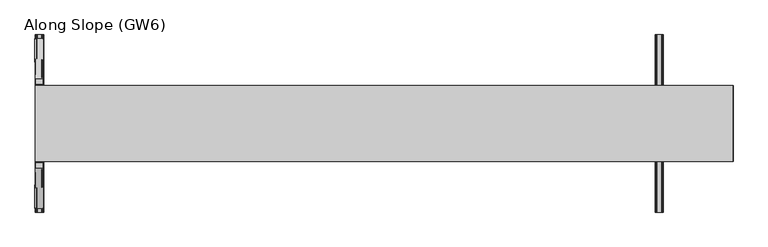
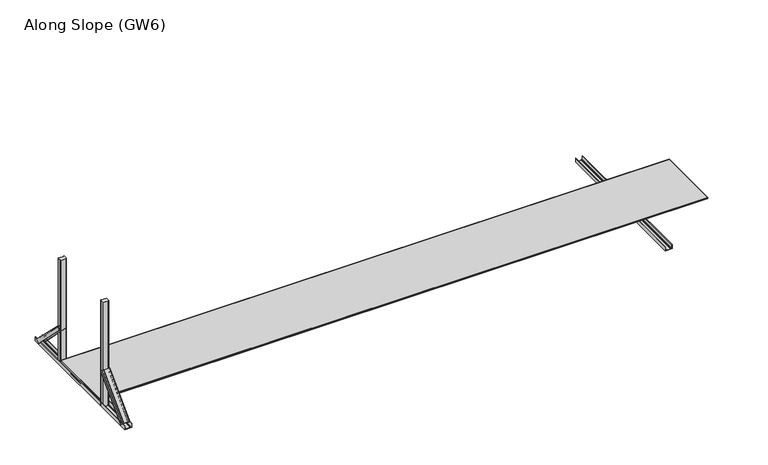
"""IFC4 building model written with IfcOpenShell, lengths in millimetres: proxy geometry, Along Slope (GW6)."""

import ifcopenshell
import ifcopenshell.guid

model = None  # the IFC model being written
_history = None  # IfcOwnerHistory: only IFC2X3 demands one
_inside = {}  # id of a spatial element -> (the spatial element, [elements in it])
_under = {}  # id of a project, library or spatial element -> (it, [spatial elements below it])
_declared = {}  # id of a project -> (the project, [libraries it declares])
_typed = {}  # id of a type object -> (the type object, [elements of that type])
_made_of = {}  # id of a material, layer set ... -> (it, [elements and type objects made of it])


def new_model(schema):
    """Start an empty IFC model of exactly this schema.

    Asked for "IFC4X3", IfcOpenShell would pick the latest addendum, in which some entities
    have other attributes; the version numbers below select the first issue.
    IFC2X3 requires an IfcOwnerHistory on every rooted entity: one is made here for all.
    """
    global model, _history
    if schema == "IFC4X3":
        model = ifcopenshell.file(schema_version=(4, 3, 0, 0))
    else:
        model = ifcopenshell.file(schema=schema)
    _inside.clear()
    _under.clear()
    _declared.clear()
    _typed.clear()
    _made_of.clear()
    _history = None
    if model.schema == "IFC2X3":
        org = make("IfcOrganization", Name="unknown")
        user = make(
            "IfcPersonAndOrganization",
            ThePerson=make("IfcPerson", FamilyName="unknown"),
            TheOrganization=org,
        )
        app = make(
            "IfcApplication",
            ApplicationDeveloper=org,
            Version="unknown",
            ApplicationFullName="unknown",
            ApplicationIdentifier="unknown",
        )
        _history = make(
            "IfcOwnerHistory",
            OwningUser=user,
            OwningApplication=app,
            ChangeAction="ADDED",
            CreationDate=0,
        )
    return model


def make(cls, **values):
    """One entity of the class cls with the attributes given. An attribute that is None is left unset."""
    return model.create_entity(
        cls, **{name: value for name, value in values.items() if value is not None}
    )


def rooted(cls, **values):
    """An entity with a GlobalId (a new one), such as an element, a storey or a relation."""
    return make(cls, GlobalId=ifcopenshell.guid.new(), OwnerHistory=_history, **values)


def si_unit(unit_type, name, prefix=None):
    """IfcSIUnit, for example si_unit("LENGTHUNIT", "METRE", prefix="MILLI")."""
    return make("IfcSIUnit", UnitType=unit_type, Prefix=prefix, Name=name)


def assignment(units):
    """IfcUnitAssignment: the units of a project."""
    return None if units is None else make("IfcUnitAssignment", Units=units)


def point(xyz):
    """IfcCartesianPoint."""
    return None if xyz is None else make("IfcCartesianPoint", Coordinates=xyz)


def direction(xyz):
    """IfcDirection."""
    return None if xyz is None else make("IfcDirection", DirectionRatios=xyz)


def frame(location, z_axis=None, x_axis=None):
    """IfcAxis2Placement3D, a coordinate frame: its origin and axes. An axis left out is left unset."""
    return make(
        "IfcAxis2Placement3D",
        Location=point(location),
        Axis=direction(z_axis),
        RefDirection=direction(x_axis),
    )


def frame_2d(location, x_axis=None):
    """IfcAxis2Placement2D, a coordinate frame in the plane: its origin and x axis."""
    return make(
        "IfcAxis2Placement2D", Location=point(location), RefDirection=direction(x_axis)
    )


def origin():
    """The frame at (0, 0, 0) with its axes left unset."""
    return frame((0.0, 0.0, 0.0))


def origin_with_axes():
    """The frame at (0, 0, 0) with the z axis (0, 0, 1) and the x axis (1, 0, 0) written out."""
    return frame((0.0, 0.0, 0.0), z_axis=(0.0, 0.0, 1.0), x_axis=(1.0, 0.0, 0.0))


def place(relative_to, where):
    """IfcLocalPlacement: puts the frame where relative to a parent placement (None: the world)."""
    return make(
        "IfcLocalPlacement", PlacementRelTo=relative_to, RelativePlacement=where
    )


def context(
    kind, dimensions, precision=None, world=None, true_north=None, identifier=None
):
    """IfcGeometricRepresentationContext, for example the 3D "Model" context."""
    return make(
        "IfcGeometricRepresentationContext",
        ContextIdentifier=identifier,
        ContextType=kind,
        CoordinateSpaceDimension=dimensions,
        Precision=precision,
        WorldCoordinateSystem=world,
        TrueNorth=true_north,
    )


def project(units=None, contexts=None):
    """IfcProject with its units and contexts."""
    return rooted(
        "IfcProject",
        Name="project",
        RepresentationContexts=contexts,
        UnitsInContext=assignment(units),
    )


def spatial(cls, under=None, at=None, **own):
    """A site, building, storey or space (cls), placed at a placement, below another one or the project."""
    s = rooted(cls, ObjectPlacement=at, **own)
    if under is not None:
        _under.setdefault(under.id(), (under, []))[1].append(s)
    return s


def polyline(points):
    """IfcPolyline through the points."""
    return make("IfcPolyline", Points=[point(p) for p in points])


def circle_curve(where, radius):
    """IfcCircle in the frame where."""
    return make("IfcCircle", Position=where, Radius=radius)


def trimmed(basis, trim1, trim2, sense, master):
    """IfcTrimmedCurve: the piece of a basis curve between two trims."""
    return make(
        "IfcTrimmedCurve",
        BasisCurve=basis,
        Trim1=trim1,
        Trim2=trim2,
        SenseAgreement=sense,
        MasterRepresentation=master,
    )


def segment(curve, same_sense, transition):
    """IfcCompositeCurveSegment."""
    return make(
        "IfcCompositeCurveSegment",
        Transition=transition,
        SameSense=same_sense,
        ParentCurve=curve,
    )


def composite_curve(segments, self_intersect=None):
    """IfcCompositeCurve: segments joined end to end."""
    return make("IfcCompositeCurve", Segments=segments, SelfIntersect=self_intersect)


def outline(outer, holes=None, kind="AREA"):
    """IfcArbitraryClosedProfileDef: a profile drawn as a closed curve; with holes, ...WithVoids."""
    if holes is None:
        return make("IfcArbitraryClosedProfileDef", ProfileType=kind, OuterCurve=outer)
    return make(
        "IfcArbitraryProfileDefWithVoids",
        ProfileType=kind,
        OuterCurve=outer,
        InnerCurves=holes,
    )


def extrude(swept, where, along, depth):
    """IfcExtrudedAreaSolid: the profile swept, set in the frame where, extruded along a direction by depth."""
    return make(
        "IfcExtrudedAreaSolid",
        SweptArea=swept,
        Position=where,
        ExtrudedDirection=direction(along),
        Depth=depth,
    )


def shape(context_of_items, identifier, shape_type, items):
    """IfcShapeRepresentation: the items that make up one representation, for example the "Body"."""
    return make(
        "IfcShapeRepresentation",
        ContextOfItems=context_of_items,
        RepresentationIdentifier=identifier,
        RepresentationType=shape_type,
        Items=items,
    )


def source(mapping_origin, context_of_items, identifier, shape_type, items):
    """IfcRepresentationMap: a shape defined once, which mapped items show again and again."""
    return make(
        "IfcRepresentationMap",
        MappingOrigin=mapping_origin,
        MappedRepresentation=shape(context_of_items, identifier, shape_type, items),
    )


def transform(
    local_origin,
    x_axis=None,
    y_axis=None,
    z_axis=None,
    scale=None,
    scale2=None,
    scale3=None,
    uniform=True,
):
    """IfcCartesianTransformationOperator3D, or its non-uniform kind. x_axis, y_axis, z_axis: its Axis1, 2, 3."""
    if uniform:
        return make(
            "IfcCartesianTransformationOperator3D",
            Axis1=direction(x_axis),
            Axis2=direction(y_axis),
            LocalOrigin=point(local_origin),
            Scale=scale,
            Axis3=direction(z_axis),
        )
    return make(
        "IfcCartesianTransformationOperator3DnonUniform",
        Axis1=direction(x_axis),
        Axis2=direction(y_axis),
        LocalOrigin=point(local_origin),
        Scale=scale,
        Axis3=direction(z_axis),
        Scale2=scale2,
        Scale3=scale3,
    )


def mapped(mapping_source, mapping_target):
    """IfcMappedItem: shows the shape of a source again, moved by a transform."""
    return make(
        "IfcMappedItem", MappingSource=mapping_source, MappingTarget=mapping_target
    )


def made_of(thing, what):
    """Note that an element or type object is made of a material, layer set ...; save() writes the relation."""
    if what is not None:
        _made_of.setdefault(what.id(), (what, []))[1].append(thing)
    return thing


def element(
    cls,
    number,
    at=None,
    inside=None,
    cuts=None,
    type_object=None,
    material=None,
    context=None,
    identifier="Body",
    shape_type=None,
    held_by="IfcProductDefinitionShape",
    body=None,
    shapes=None,
    **own,
):
    """One element of the class cls, such as IfcWall. Its Tag is "e" and its number.

    at: its placement. inside: the storey or other place that contains it. cuts: it is an
    opening in that element (IfcRelVoidsElement). A single representation is given by context,
    identifier, shape_type and body (its items); several are given by shapes. held_by: the class
    of the entity that holds the representations. save() writes the other relations.
    """
    e = rooted(cls, Tag="e%d" % number, ObjectPlacement=at, **own)
    if body is not None:
        shapes = [shape(context, identifier, shape_type, body)]
    if shapes is not None:
        e.Representation = make(held_by, Representations=shapes)
    if inside is not None:
        _inside.setdefault(inside.id(), (inside, []))[1].append(e)
    if cuts is not None:
        rooted(
            "IfcRelVoidsElement", RelatingBuildingElement=cuts, RelatedOpeningElement=e
        )
    if type_object is not None:
        _typed.setdefault(type_object.id(), (type_object, []))[1].append(e)
    return made_of(e, material)


def aggregate(whole, parts):
    """IfcRelAggregates: a whole, such as a stair, and the parts it consists of."""
    return rooted("IfcRelAggregates", RelatingObject=whole, RelatedObjects=parts)


def save(model, path):
    """Write the relations noted so far, then the file.

    IfcRelAggregates (storeys below a building ...), IfcRelContainedInSpatialStructure (elements
    in a storey), IfcRelDefinesByType, IfcRelAssociatesMaterial and IfcRelDeclares: one each for
    every whole, place, type object, material and project.
    """
    for whole, parts in _under.values():
        aggregate(whole, parts)
    for where, things in _inside.values():
        rooted(
            "IfcRelContainedInSpatialStructure",
            RelatedElements=things,
            RelatingStructure=where,
        )
    for kind, things in _typed.values():
        rooted("IfcRelDefinesByType", RelatedObjects=things, RelatingType=kind)
    for what, things in _made_of.values():
        rooted("IfcRelAssociatesMaterial", RelatedObjects=things, RelatingMaterial=what)
    for by, libraries in _declared.values():
        rooted("IfcRelDeclares", RelatingContext=by, RelatedDefinitions=libraries)
    model.write(path)


def plane_surface(at):
    """IfcPlane: the flat surface through the origin of the frame at, square to its z axis."""
    return make("IfcPlane", Position=at)


def extruded_surface(curve, direction_of_extrusion, depth):
    """IfcSurfaceOfLinearExtrusion: the curve pushed along a direction by depth."""
    return make(
        "IfcSurfaceOfLinearExtrusion",
        SweptCurve=make("IfcArbitraryOpenProfileDef", ProfileType="CURVE", Curve=curve),
        ExtrudedDirection=direction(direction_of_extrusion),
        Depth=depth,
    )


def advanced_brep(points, edges, surfaces, faces):
    """IfcAdvancedBrep: a solid bounded by faces that lie on surfaces and meet in shared edges.

    An edge is (start, end): straight between two places in points (the first is 0);
    or (start, end, curve); or (start, end, curve, False) where it runs against its curve.
    A face is (place in surfaces, loops), or (place, loops, False) where it looks against
    its surface's normal. A loop lists edges by number (the first is 1), with a minus sign
    where the edge is run from its end to its start. The first loop is the outer one.
    """
    corners = [point(p) for p in points]
    vertices = [make("IfcVertexPoint", VertexGeometry=c) for c in corners]
    made = []
    for start, end, *more in edges:
        made.append(
            make(
                "IfcEdgeCurve",
                EdgeStart=vertices[start],
                EdgeEnd=vertices[end],
                EdgeGeometry=more[0] if more else make("IfcPolyline", Points=[corners[start], corners[end]]),
                SameSense=more[1] if len(more) > 1 else True,
            )
        )
    hull = []
    for where, loops, *sense in faces:
        bounds = []
        for j, loop in enumerate(loops):
            ring = [make("IfcOrientedEdge", EdgeElement=made[abs(k) - 1], Orientation=k > 0) for k in loop]
            bounds.append(
                make(
                    "IfcFaceOuterBound" if j == 0 else "IfcFaceBound",
                    Bound=make("IfcEdgeLoop", EdgeList=ring),
                    Orientation=True,
                )
            )
        hull.append(make("IfcAdvancedFace", Bounds=bounds, FaceSurface=surfaces[where], SameSense=sense[0] if sense else True))
    return make("IfcAdvancedBrep", Outer=make("IfcClosedShell", CfsFaces=hull))


def along_slope_gw6_d2197dbf(model_context):
    return source(origin(), model_context, "Body", "SolidModel", [
        extrude(outline(composite_curve([segment(polyline([(0.0, 4885.0), (0.0, 4950.0), (36.5, 4950.0)]), True, "CONTINUOUS"), segment(trimmed(circle_curve(frame_2d((36.5, 4948.5)), 1.5), [point((36.5, 4950.0))], [point((36.5, 4947.0))], False, "CARTESIAN"), True, "CONTINUOUS"), segment(polyline([(36.5, 4947.0), (3.0, 4947.0), (3.0, 4937.0), (5.5, 4937.0)]), True, "CONTINUOUS"), segment(trimmed(circle_curve(frame_2d((5.5, 4936.5)), 0.5), [point((5.5, 4937.0))], [point((5.5, 4936.0))], False, "CARTESIAN"), True, "CONTINUOUS"), segment(polyline([(5.5, 4936.0), (3.0, 4936.0), (3.0, 4899.0), (5.5, 4899.0)]), True, "CONTINUOUS"), segment(trimmed(circle_curve(frame_2d((5.5, 4898.5)), 0.5), [point((5.5, 4899.0))], [point((5.5, 4898.0))], False, "CARTESIAN"), True, "CONTINUOUS"), segment(polyline([(5.5, 4898.0), (3.0, 4898.0), (3.0, 4888.0), (36.5, 4888.0)]), True, "CONTINUOUS"), segment(trimmed(circle_curve(frame_2d((36.5, 4886.5)), 1.5), [point((36.5, 4888.0))], [point((36.5, 4885.0))], False, "CARTESIAN"), True, "CONTINUOUS"), segment(polyline([(36.5, 4885.0), (0.0, 4885.0)]), True, "CONTINUOUS")], self_intersect=False)), frame((0.0, -1000.0, 0.0), z_axis=(0.0, 1.0, 0.0), x_axis=(0.0, 0.0, 1.0)), (0.0, 0.0, 1.0), 1400.0),
        advanced_brep(
        [(62.0, 368.6980515, 38.0), (62.0, 342.888654, 12.1906025), (59.0, 342.888654, 12.1906025), (59.0, 366.5767312, 35.8786797), (49.0, 366.5767312, 35.8786797), (49.0, 364.8089642, 34.1109127), (48.0, 364.8089642, 34.1109127), (48.0, 366.5767312, 35.8786797), (11.0, 366.5767312, 35.8786797), (11.0, 364.8089642, 34.1109127), (10.0, 364.8089642, 34.1109127), (10.0, 366.5767312, 35.8786797), (0.0, 366.5767312, 35.8786797), (0.0, 342.888654, 12.1906025), (-3.0, 342.888654, 12.1906025), (-3.0, 368.6980515, 38.0), (65.0, 50.5, 356.1980515), (0.0, 50.5, 356.1980515), (0.0, 24.6906025, 330.388654), (3.0, 24.6906025, 330.388654), (3.0, 48.3786797, 354.0767312), (13.0, 48.3786797, 354.0767312), (13.0, 46.6109127, 352.3089642), (14.0, 46.6109127, 352.3089642), (14.0, 48.3786797, 354.0767312), (51.0, 48.3786797, 354.0767312), (51.0, 46.6109127, 352.3089642), (52.0, 46.6109127, 352.3089642), (52.0, 48.3786797, 354.0767312), (62.0, 48.3786797, 354.0767312), (62.0, 24.6906025, 330.388654), (65.0, 24.6906025, 330.388654)],
        [
            (0, 1),
            (1, 2, circle_curve(frame((60.5, 342.888654, 12.1906025), z_axis=(0.0, 0.7071067811865506, -0.7071067811865446), x_axis=(0.0, 0.7071067811865446, 0.7071067811865506)), 1.5)),
            (2, 3),
            (3, 4),
            (4, 5),
            (5, 6, circle_curve(frame((48.5, 364.8089642, 34.1109127), z_axis=(0.0, 0.7071067811865506, -0.7071067811865446), x_axis=(0.0, 0.7071067811865446, 0.7071067811865506)), 0.5)),
            (6, 7),
            (7, 8),
            (8, 9),
            (9, 10, circle_curve(frame((10.5, 364.8089642, 34.1109127), z_axis=(0.0, 0.7071067811865506, -0.7071067811865446), x_axis=(0.0, 0.7071067811865446, 0.7071067811865506)), 0.5)),
            (10, 11),
            (11, 12),
            (12, 13),
            (13, 14, circle_curve(frame((-1.5, 342.888654, 12.1906025), z_axis=(0.0, 0.7071067811865506, -0.7071067811865446), x_axis=(0.0, 0.7071067811865446, 0.7071067811865506)), 1.5)),
            (14, 15),
            (15, 0),
            (16, 17),
            (17, 18),
            (18, 19, circle_curve(frame((1.5, 24.6906025, 330.388654), z_axis=(0.0, -0.7071067811865506, 0.7071067811865446), x_axis=(0.0, 0.7071067811865446, 0.7071067811865506)), 1.5)),
            (19, 20),
            (20, 21),
            (21, 22),
            (22, 23, circle_curve(frame((13.5, 46.6109127, 352.3089642), z_axis=(0.0, -0.7071067811865506, 0.7071067811865446), x_axis=(0.0, 0.7071067811865446, 0.7071067811865506)), 0.5)),
            (23, 24),
            (24, 25),
            (25, 26),
            (26, 27, circle_curve(frame((51.5, 46.6109127, 352.3089642), z_axis=(0.0, -0.7071067811865506, 0.7071067811865446), x_axis=(0.0, 0.7071067811865446, 0.7071067811865506)), 0.5)),
            (27, 28),
            (28, 29),
            (29, 30),
            (30, 31, circle_curve(frame((63.5, 24.6906025, 330.388654), z_axis=(0.0, -0.7071067811865506, 0.7071067811865446), x_axis=(0.0, 0.7071067811865446, 0.7071067811865506)), 1.5)),
            (31, 16),
            (31, 1),
            (0, 16),
            (30, 2),
            (29, 3),
            (28, 4),
            (27, 5),
            (26, 6),
            (25, 7),
            (24, 8),
            (23, 9),
            (22, 10),
            (21, 11),
            (20, 12),
            (19, 13),
            (18, 14),
            (17, 15),
        ],
        [
            plane_surface(frame((29.5, 360.4779352, 29.7798837), z_axis=(0.0, 0.7071067811865502, -0.7071067811865449), x_axis=(0.0, -0.7071067811865449, -0.7071067811865502))),
            plane_surface(frame((32.5, 42.2798837, 347.9779352), z_axis=(0.0, -0.7071067811865505, 0.7071067811865447), x_axis=(0.0, -0.7071067811865447, -0.7071067811865505))),
            plane_surface(frame((65.0, 37.5953012, 343.2933528), z_axis=(0.9999777785184913, 0.004713940454838276, -0.004713940454838116), x_axis=(0.0, -0.7071067811865449, -0.7071067811865502))),
            extruded_surface(trimmed(circle_curve(frame((63.5, 24.6906025, 330.388654), z_axis=(0.0, 0.7071067811865506, -0.7071067811865446), x_axis=(0.0, 0.7071067811865446, 0.7071067811865506)), 1.5), [point((65.0, 24.6906025, 330.388654))], [point((62.0, 24.6906025, 330.388654))], True, "CARTESIAN"), (-3.0, 318.19805149999996, -318.19805149999996), 450.009999840885),
            plane_surface(frame((62.0, 36.5346411, 342.2326926), z_axis=(-0.9999777785184911, -0.004713940454837886, 0.00471394045483772), x_axis=(0.0, 0.7071067811865445, 0.7071067811865506))),
            plane_surface(frame((57.0, 48.3786797, 354.0767312), z_axis=(0.0, -0.7071067811865455, -0.7071067811865496), x_axis=(-1.0, 0.0, 0.0))),
            plane_surface(frame((52.0, 47.4947962, 353.1928477), z_axis=(0.9999777785184913, 0.004713940454838199, -0.0047139404548380325), x_axis=(0.0, -0.7071067811865445, -0.7071067811865507))),
            extruded_surface(trimmed(circle_curve(frame((51.5, 46.6109127, 352.3089642), z_axis=(0.0, 0.7071067811865506, -0.7071067811865446), x_axis=(0.0, 0.7071067811865446, 0.7071067811865506)), 0.5), [point((52.0, 46.6109127, 352.3089642))], [point((51.0, 46.6109127, 352.3089642))], True, "CARTESIAN"), (-3.0, 318.1980515, -318.1980515), 450.00999984088503),
            plane_surface(frame((51.0, 47.4947962, 353.1928477), z_axis=(-0.9999777785184912, -0.004713940454838169, 0.0047139404548381045), x_axis=(0.0, 0.7071067811865521, 0.707106781186543))),
            plane_surface(frame((32.5, 48.3786797, 354.0767312), z_axis=(0.0, -0.7071067811865461, -0.7071067811865491), x_axis=(-1.0, 0.0, 0.0))),
            plane_surface(frame((14.0, 47.4947962, 353.1928477), z_axis=(0.9999777785184911, 0.004713940454838164, -0.004713940454837987), x_axis=(0.0, -0.7071067811865436, -0.7071067811865515))),
            extruded_surface(trimmed(circle_curve(frame((13.5, 46.6109127, 352.3089642), z_axis=(0.0, 0.7071067811865506, -0.7071067811865446), x_axis=(0.0, 0.7071067811865446, 0.7071067811865506)), 0.5), [point((14.0, 46.6109127, 352.3089642))], [point((13.0, 46.6109127, 352.3089642))], True, "CARTESIAN"), (-3.0, 318.1980515, -318.1980515), 450.00999984088503),
            plane_surface(frame((13.0, 47.4947962, 353.1928477), z_axis=(-0.9999777785184913, -0.004713940454838203, 0.004713940454838003), x_axis=(0.0, 0.7071067811865419, 0.7071067811865532))),
            plane_surface(frame((8.0, 48.3786797, 354.0767312), z_axis=(0.0, -0.7071067811865461, -0.7071067811865491), x_axis=(-1.0, 0.0, 0.0))),
            plane_surface(frame((3.0, 36.5346411, 342.2326926), z_axis=(0.9999777785184911, 0.004713940454838192, -0.004713940454838038), x_axis=(0.0, -0.7071067811865454, -0.7071067811865497))),
            extruded_surface(trimmed(circle_curve(frame((1.5, 24.6906025, 330.388654), z_axis=(0.0, 0.7071067811865506, -0.7071067811865446), x_axis=(0.0, 0.7071067811865446, 0.7071067811865506)), 1.5), [point((3.0, 24.6906025, 330.388654))], [point((0.0, 24.6906025, 330.388654))], True, "CARTESIAN"), (-3.0, 318.19805149999996, -318.19805149999996), 450.009999840885),
            plane_surface(frame((0.0, 37.5953012, 343.2933528), z_axis=(-0.9999777785184911, -0.00471394045483825, 0.004713940454838091), x_axis=(0.0, 0.7071067811865449, 0.7071067811865501))),
            plane_surface(frame((32.5, 50.5, 356.1980515), z_axis=(0.0, 0.7071067811865455, 0.7071067811865497), x_axis=(1.0, 0.0, 0.0))),
        ],
        [
            (0, [[1, 2, 3, 4, 5, 6, 7, 8, 9, 10, 11, 12, 13, 14, 15, 16]]),
            (1, [[17, 18, 19, 20, 21, 22, 23, 24, 25, 26, 27, 28, 29, 30, 31, 32]]),
            (2, [[-32, 33, -1, 34]]),
            (3, [[-31, 35, -2, -33]]),
            (4, [[-30, 36, -3, -35]]),
            (5, [[-29, 37, -4, -36]]),
            (6, [[-28, 38, -5, -37]]),
            (7, [[-27, 39, -6, -38]]),
            (8, [[-26, 40, -7, -39]]),
            (9, [[-25, 41, -8, -40]]),
            (10, [[-24, 42, -9, -41]]),
            (11, [[-23, 43, -10, -42]]),
            (12, [[-22, 44, -11, -43]]),
            (13, [[-21, 45, -12, -44]]),
            (14, [[-20, 46, -13, -45]]),
            (15, [[-19, 47, -14, -46]]),
            (16, [[-18, 48, -15, -47]]),
            (17, [[-17, -34, -16, -48]]),
        ],
    ),
        extrude(outline(composite_curve([segment(trimmed(circle_curve(frame_2d((55.5, 45.5)), 5.0), [point((55.5, 50.5))], [point((60.5, 45.5))], False, "CARTESIAN"), True, "CONTINUOUS"), segment(polyline([(60.5, 45.5), (60.5, 17.5)]), True, "CONTINUOUS"), segment(trimmed(circle_curve(frame_2d((55.5, 17.5)), 5.0), [point((60.5, 17.5))], [point((55.5, 12.5))], False, "CARTESIAN"), True, "CONTINUOUS"), segment(polyline([(55.5, 12.5), (9.5, 12.5)]), True, "CONTINUOUS"), segment(trimmed(circle_curve(frame_2d((9.5, 17.5)), 5.0), [point((9.5, 12.5))], [point((4.5, 17.5))], False, "CARTESIAN"), True, "CONTINUOUS"), segment(polyline([(4.5, 17.5), (4.5, 45.5)]), True, "CONTINUOUS"), segment(trimmed(circle_curve(frame_2d((9.5, 45.5)), 5.0), [point((4.5, 45.5))], [point((9.5, 50.5))], False, "CARTESIAN"), True, "CONTINUOUS"), segment(polyline([(9.5, 50.5), (55.5, 50.5)]), True, "CONTINUOUS")], self_intersect=False)), origin_with_axes(), (0.0, 0.0, 1.0), 1003.0),
        extrude(outline(composite_curve([segment(trimmed(circle_curve(frame_2d((55.5, -617.5)), 5.0), [point((55.5, -612.5))], [point((60.5, -617.5))], False, "CARTESIAN"), True, "CONTINUOUS"), segment(polyline([(60.5, -617.5), (60.5, -645.5)]), True, "CONTINUOUS"), segment(trimmed(circle_curve(frame_2d((55.5, -645.5)), 5.0), [point((60.5, -645.5))], [point((55.5, -650.5))], False, "CARTESIAN"), True, "CONTINUOUS"), segment(polyline([(55.5, -650.5), (9.5, -650.5)]), True, "CONTINUOUS"), segment(trimmed(circle_curve(frame_2d((9.5, -645.5)), 5.0), [point((9.5, -650.5))], [point((4.5, -645.5))], False, "CARTESIAN"), True, "CONTINUOUS"), segment(polyline([(4.5, -645.5), (4.5, -617.5)]), True, "CONTINUOUS"), segment(trimmed(circle_curve(frame_2d((9.5, -617.5)), 5.0), [point((4.5, -617.5))], [point((9.5, -612.5))], False, "CARTESIAN"), True, "CONTINUOUS"), segment(polyline([(9.5, -612.5), (55.5, -612.5)]), True, "CONTINUOUS")], self_intersect=False)), origin_with_axes(), (0.0, 0.0, 1.0), 1003.0),
        advanced_brep(
        [(-3.0, -968.7087394, 38.0), (-3.0, -942.8993419, 12.1906025), (0.0, -942.8993419, 12.1906025), (0.0, -966.5874191, 35.8786797), (10.0, -966.5874191, 35.8786797), (10.0, -964.8196521, 34.1109127), (11.0, -964.8196521, 34.1109127), (11.0, -966.5874191, 35.8786797), (48.0, -966.5874191, 35.8786797), (48.0, -964.8196521, 34.1109127), (49.0, -964.8196521, 34.1109127), (49.0, -966.5874191, 35.8786797), (59.0, -966.5874191, 35.8786797), (59.0, -942.8993419, 12.1906025), (62.0, -942.8993419, 12.1906025), (62.0, -968.7087394, 38.0), (0.0, -650.5106879, 356.1980515), (65.0, -650.5106879, 356.1980515), (65.0, -624.7012904, 330.388654), (62.0, -624.7012904, 330.388654), (62.0, -648.3893676, 354.0767312), (52.0, -648.3893676, 354.0767312), (52.0, -646.6216006, 352.3089642), (51.0, -646.6216006, 352.3089642), (51.0, -648.3893676, 354.0767312), (14.0, -648.3893676, 354.0767312), (14.0, -646.6216006, 352.3089642), (13.0, -646.6216006, 352.3089642), (13.0, -648.3893676, 354.0767312), (3.0, -648.3893676, 354.0767312), (3.0, -624.7012904, 330.388654), (0.0, -624.7012904, 330.388654)],
        [
            (0, 1),
            (1, 2, circle_curve(frame((-1.5, -942.8993419, 12.1906025), z_axis=(0.0, -0.7071067811865432, -0.7071067811865519), x_axis=(0.0, 0.7071067811865519, -0.7071067811865432)), 1.5)),
            (2, 3),
            (3, 4),
            (4, 5),
            (5, 6, circle_curve(frame((10.5, -964.8196521, 34.1109127), z_axis=(0.0, -0.7071067811865432, -0.7071067811865519), x_axis=(0.0, 0.7071067811865519, -0.7071067811865432)), 0.5)),
            (6, 7),
            (7, 8),
            (8, 9),
            (9, 10, circle_curve(frame((48.5, -964.8196521, 34.1109127), z_axis=(0.0, -0.7071067811865432, -0.7071067811865519), x_axis=(0.0, 0.7071067811865519, -0.7071067811865432)), 0.5)),
            (10, 11),
            (11, 12),
            (12, 13),
            (13, 14, circle_curve(frame((60.5, -942.8993419, 12.1906025), z_axis=(0.0, -0.7071067811865432, -0.7071067811865519), x_axis=(0.0, 0.7071067811865519, -0.7071067811865432)), 1.5)),
            (14, 15),
            (15, 0),
            (16, 17),
            (17, 18),
            (18, 19, circle_curve(frame((63.5, -624.7012904, 330.388654), z_axis=(0.0, 0.7071067811865432, 0.7071067811865519), x_axis=(0.0, 0.7071067811865519, -0.7071067811865432)), 1.5)),
            (19, 20),
            (20, 21),
            (21, 22),
            (22, 23, circle_curve(frame((51.5, -646.6216006, 352.3089642), z_axis=(0.0, 0.7071067811865432, 0.7071067811865519), x_axis=(0.0, 0.7071067811865519, -0.7071067811865432)), 0.5)),
            (23, 24),
            (24, 25),
            (25, 26),
            (26, 27, circle_curve(frame((13.5, -646.6216006, 352.3089642), z_axis=(0.0, 0.7071067811865432, 0.7071067811865519), x_axis=(0.0, 0.7071067811865519, -0.7071067811865432)), 0.5)),
            (27, 28),
            (28, 29),
            (29, 30),
            (30, 31, circle_curve(frame((1.5, -624.7012904, 330.388654), z_axis=(0.0, 0.7071067811865432, 0.7071067811865519), x_axis=(0.0, 0.7071067811865519, -0.7071067811865432)), 1.5)),
            (31, 16),
            (31, 1),
            (0, 16),
            (30, 2),
            (29, 3),
            (28, 4),
            (27, 5),
            (26, 6),
            (25, 7),
            (24, 8),
            (23, 9),
            (22, 10),
            (21, 11),
            (20, 12),
            (19, 13),
            (18, 14),
            (17, 15),
        ],
        [
            plane_surface(frame((29.5, -960.4886231, 29.7798837), z_axis=(0.0, -0.707106781186543, -0.7071067811865521), x_axis=(0.0, 0.7071067811865521, -0.707106781186543))),
            plane_surface(frame((32.5, -642.2905716, 347.9779352), z_axis=(0.0, 0.7071067811865432, 0.7071067811865519), x_axis=(0.0, 0.7071067811865519, -0.7071067811865432))),
            plane_surface(frame((0.0, -637.6059891, 343.2933528), z_axis=(-0.9999777785184912, 0.004713940454842057, 0.004713940454841993), x_axis=(0.0, 0.7071067811865521, -0.707106781186543))),
            extruded_surface(trimmed(circle_curve(frame((1.5, -624.7012904, 330.388654), z_axis=(0.0, -0.7071067811865432, -0.7071067811865519), x_axis=(0.0, 0.7071067811865519, -0.7071067811865432)), 1.5), [point((0.0, -624.7012904, 330.388654))], [point((3.0, -624.7012904, 330.388654))], True, "CARTESIAN"), (-3.0, -318.1980515, -318.19805149999996), 450.009999840885),
            plane_surface(frame((3.0, -636.545329, 342.2326926), z_axis=(0.9999777785184912, -0.004713940454842057, -0.004713940454841993), x_axis=(0.0, -0.7071067811865521, 0.707106781186543))),
            plane_surface(frame((8.0, -648.3893676, 354.0767312), z_axis=(0.0, 0.7071067811865525, -0.7071067811865427), x_axis=(1.0, 0.0, 0.0))),
            plane_surface(frame((13.0, -647.5054841, 353.1928477), z_axis=(-0.9999777785184911, 0.004713940454842033, 0.004713940454842016), x_axis=(0.0, 0.7071067811865557, -0.7071067811865394))),
            extruded_surface(trimmed(circle_curve(frame((13.5, -646.6216006, 352.3089642), z_axis=(0.0, -0.7071067811865432, -0.7071067811865519), x_axis=(0.0, 0.7071067811865519, -0.7071067811865432)), 0.5), [point((13.0, -646.6216006, 352.3089642))], [point((14.0, -646.6216006, 352.3089642))], True, "CARTESIAN"), (-3.0, -318.1980515, -318.1980515), 450.00999984088503),
            plane_surface(frame((14.0, -647.5054841, 353.1928477), z_axis=(0.9999777785184911, -0.004713940454842045, -0.004713940454842029), x_axis=(0.0, -0.7071067811865557, 0.7071067811865394))),
            plane_surface(frame((32.5, -648.3893676, 354.0767312), z_axis=(0.0, 0.7071067811865525, -0.7071067811865427), x_axis=(1.0, 0.0, 0.0))),
            plane_surface(frame((51.0, -647.5054841, 353.1928477), z_axis=(-0.9999777785184911, 0.004713940454842039, 0.004713940454842022), x_axis=(0.0, 0.7071067811865557, -0.7071067811865394))),
            extruded_surface(trimmed(circle_curve(frame((51.5, -646.6216006, 352.3089642), z_axis=(0.0, -0.7071067811865432, -0.7071067811865519), x_axis=(0.0, 0.7071067811865519, -0.7071067811865432)), 0.5), [point((51.0, -646.6216006, 352.3089642))], [point((52.0, -646.6216006, 352.3089642))], True, "CARTESIAN"), (-3.0, -318.1980515, -318.1980515), 450.00999984088503),
            plane_surface(frame((52.0, -647.5054841, 353.1928477), z_axis=(0.9999777785184911, -0.004713940454842066, -0.004713940454841994), x_axis=(0.0, -0.7071067811865515, 0.7071067811865436))),
            plane_surface(frame((57.0, -648.3893676, 354.0767312), z_axis=(0.0, 0.7071067811865522, -0.707106781186543), x_axis=(1.0, 0.0, 0.0))),
            plane_surface(frame((62.0, -636.545329, 342.2326926), z_axis=(-0.9999777785184911, 0.004713940454842064, 0.004713940454841998), x_axis=(0.0, 0.707106781186552, -0.7071067811865431))),
            extruded_surface(trimmed(circle_curve(frame((63.5, -624.7012904, 330.388654), z_axis=(0.0, -0.7071067811865432, -0.7071067811865519), x_axis=(0.0, 0.7071067811865519, -0.7071067811865432)), 1.5), [point((62.0, -624.7012904, 330.388654))], [point((65.0, -624.7012904, 330.388654))], True, "CARTESIAN"), (-3.0, -318.1980515, -318.19805149999996), 450.009999840885),
            plane_surface(frame((65.0, -637.6059891, 343.2933528), z_axis=(0.9999777785184913, -0.004713940454842066, -0.004713940454841998), x_axis=(0.0, -0.7071067811865519, 0.7071067811865432))),
            plane_surface(frame((32.5, -650.5106879, 356.1980515), z_axis=(0.0, -0.7071067811865526, 0.7071067811865427), x_axis=(-1.0, 0.0, 0.0))),
        ],
        [
            (0, [[1, 2, 3, 4, 5, 6, 7, 8, 9, 10, 11, 12, 13, 14, 15, 16]]),
            (1, [[17, 18, 19, 20, 21, 22, 23, 24, 25, 26, 27, 28, 29, 30, 31, 32]]),
            (2, [[-32, 33, -1, 34]]),
            (3, [[-31, 35, -2, -33]]),
            (4, [[-30, 36, -3, -35]]),
            (5, [[-29, 37, -4, -36]]),
            (6, [[-28, 38, -5, -37]]),
            (7, [[-27, 39, -6, -38]]),
            (8, [[-26, 40, -7, -39]]),
            (9, [[-25, 41, -8, -40]]),
            (10, [[-24, 42, -9, -41]]),
            (11, [[-23, 43, -10, -42]]),
            (12, [[-22, 44, -11, -43]]),
            (13, [[-21, 45, -12, -44]]),
            (14, [[-20, 46, -13, -45]]),
            (15, [[-19, 47, -14, -46]]),
            (16, [[-18, 48, -15, -47]]),
            (17, [[-17, -34, -16, -48]]),
        ],
    ),
        extrude(outline(composite_curve([segment(polyline([(0.0, 0.0), (0.0, 65.0), (36.5, 65.0)]), True, "CONTINUOUS"), segment(trimmed(circle_curve(frame_2d((36.5, 63.5)), 1.5), [point((36.5, 65.0))], [point((36.5, 62.0))], False, "CARTESIAN"), True, "CONTINUOUS"), segment(polyline([(36.5, 62.0), (3.0, 62.0), (3.0, 52.0), (5.5, 52.0)]), True, "CONTINUOUS"), segment(trimmed(circle_curve(frame_2d((5.5, 51.5)), 0.5), [point((5.5, 52.0))], [point((5.5, 51.0))], False, "CARTESIAN"), True, "CONTINUOUS"), segment(polyline([(5.5, 51.0), (3.0, 51.0), (3.0, 14.0), (5.5, 14.0)]), True, "CONTINUOUS"), segment(trimmed(circle_curve(frame_2d((5.5, 13.5)), 0.5), [point((5.5, 14.0))], [point((5.5, 13.0))], False, "CARTESIAN"), True, "CONTINUOUS"), segment(polyline([(5.5, 13.0), (3.0, 13.0), (3.0, 3.0), (36.5, 3.0)]), True, "CONTINUOUS"), segment(trimmed(circle_curve(frame_2d((36.5, 1.5)), 1.5), [point((36.5, 3.0))], [point((36.5, 0.0))], False, "CARTESIAN"), True, "CONTINUOUS"), segment(polyline([(36.5, 0.0), (0.0, 0.0)]), True, "CONTINUOUS")], self_intersect=False)), frame((0.0, -1000.0, 0.0), z_axis=(0.0, 1.0, 0.0), x_axis=(0.0, 0.0, 1.0)), (0.0, 0.0, 1.0), 1400.0),
        extrude(outline(polyline([(5499.0, -1.0), (5499.0, -599.0), (1.0, -599.0), (1.0, -1.0), (5499.0, -1.0)])), frame((0.0, 0.0, 42.0), z_axis=(0.0, 0.0, 1.0), x_axis=(1.0, 0.0, 0.0)), (0.0, 0.0, 1.0), 13.0),
        extrude(outline(polyline([(5500.0, 0.0), (5500.0, -600.0), (0.0, -600.0), (0.0, 0.0), (5500.0, 0.0)]), holes=[polyline([(5499.0, -1.0), (1.0, -1.0), (1.0, -599.0), (5499.0, -599.0), (5499.0, -1.0)])]), frame((0.0, 0.0, 42.0), z_axis=(0.0, 0.0, 1.0), x_axis=(1.0, 0.0, 0.0)), (0.0, 0.0, 1.0), 13.0),
    ])


if __name__ == "__main__":
    model = new_model("IFC4")
    model_context = context("Model", 3, world=origin())
    ifc_project = project(units=[si_unit("LENGTHUNIT", "METRE", prefix="MILLI")], contexts=[model_context])
    site = spatial("IfcSite", under=ifc_project)
    building = spatial("IfcBuilding", under=site)
    placement = place(None, origin())
    along_slope_gw6_shape = along_slope_gw6_d2197dbf(model_context)
    element("IfcBuildingElementProxy", 1, Name="Along Slope (GW6)", ObjectType="Along Slope (GW6)", at=placement, inside=building, context=model_context, shape_type="MappedRepresentation", body=[
        mapped(along_slope_gw6_shape, transform((0.0, 0.0, 0.0), x_axis=(1.0, 0.0, 0.0), y_axis=(0.0, 1.0, 0.0), z_axis=(0.0, 0.0, 1.0))),
    ])
    save(model, "model.ifc")
